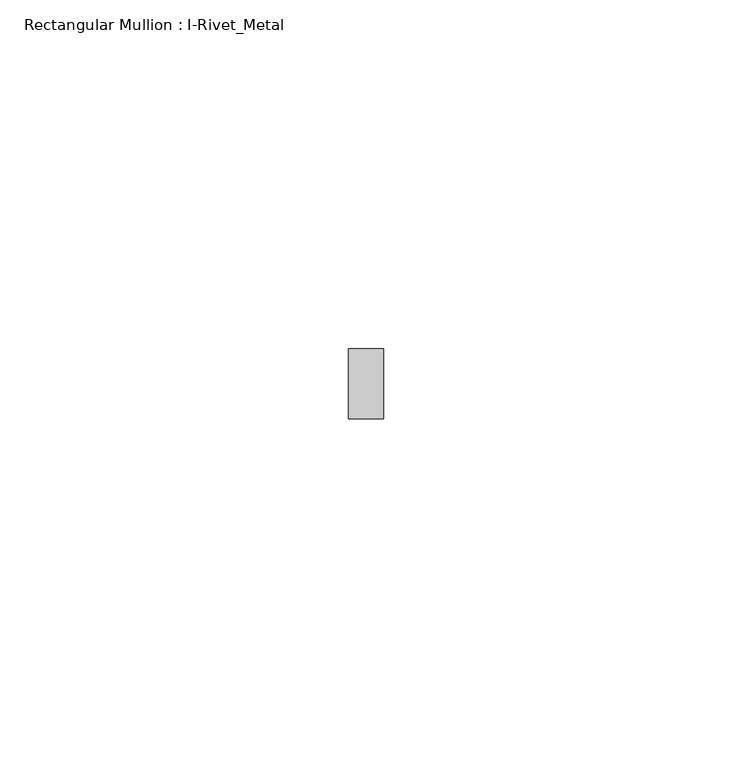
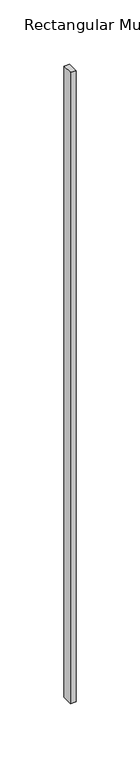
"""IFC4 building model written with IfcOpenShell, lengths in millimetres: member geometry, Rectangular Mullion : I-Rivet_Metal."""

from ifc_helpers import new_model, si_unit, frame, origin, place, context, project, spatial, polyline, outline, extrude, source, transform, mapped, element, save


def rectangular_mullion_i_rivet_metal_fce191d3(model_context):
    return source(origin(), model_context, "Body", "SweptSolid", [
        extrude(outline(polyline([(2.5, 70.0), (-2.5, 70.0), (-2.5, 80.0), (2.5, 80.0), (2.5, 70.0)])), frame((0.0, 0.0, -600.0), z_axis=(0.0, 0.0, 1.0), x_axis=(1.0, 0.0, 0.0)), (0.0, 0.0, 1.0), 600.0),
    ])


if __name__ == "__main__":
    model = new_model("IFC4")
    model_context = context("Model", 3, world=origin())
    ifc_project = project(units=[si_unit("LENGTHUNIT", "METRE", prefix="MILLI")], contexts=[model_context])
    site = spatial("IfcSite", under=ifc_project)
    building = spatial("IfcBuilding", under=site)
    placement = place(None, origin())
    rectangular_mullion_i_rivet_metal_shape = rectangular_mullion_i_rivet_metal_fce191d3(model_context)
    element("IfcMember", 1, ObjectType="Rectangular Mullion : I-Rivet_Metal", at=placement, inside=building, context=model_context, shape_type="MappedRepresentation", body=[
        mapped(rectangular_mullion_i_rivet_metal_shape, transform((0.0, 0.0, 0.0), x_axis=(1.0, 0.0, 0.0), y_axis=(0.0, 1.0, 0.0), z_axis=(0.0, 0.0, 1.0))),
    ])
    save(model, "model.ifc")
